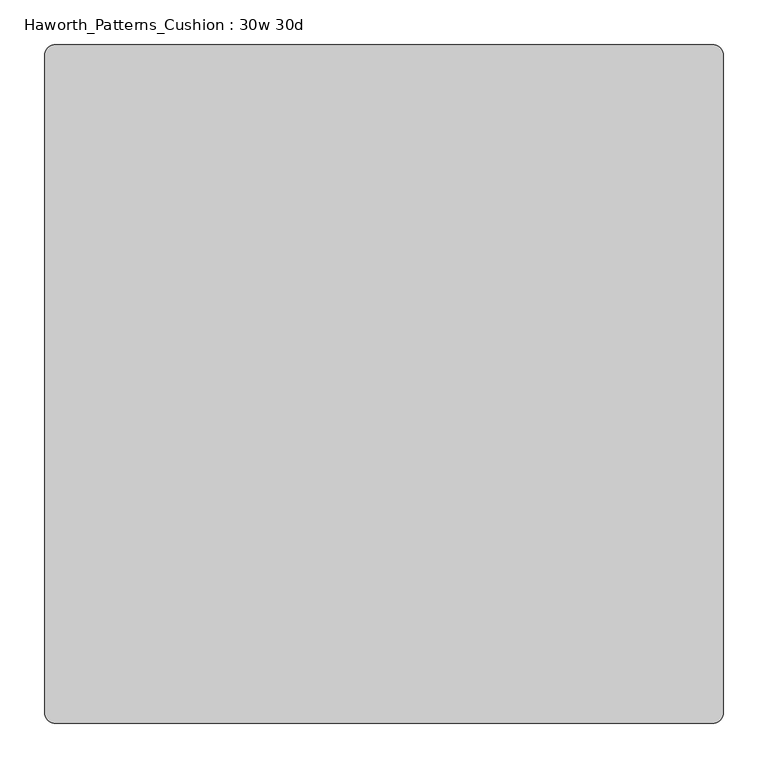
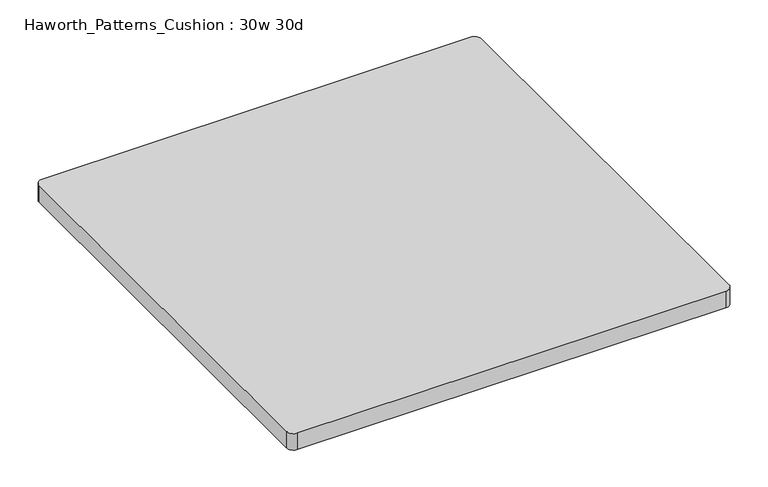
"""IFC4 building model written with IfcOpenShell, lengths in millimetres: furniture geometry, Haworth_Patterns_Cushion : 30w 30d."""

from ifc_helpers import new_model, si_unit, point, frame, frame_2d, origin, place, context, project, spatial, polyline, circle_curve, trimmed, segment, composite_curve, outline, extrude, source, transform, mapped, element, save


def haworth_patterns_cushion_30w_30d_9b118aac(model_context):
    return source(origin(), model_context, "Body", "SweptSolid", [
        extrude(outline(composite_curve([segment(trimmed(circle_curve(frame_2d((368.3, 368.3)), 12.7), [point((368.3, 381.0))], [point((381.0, 368.3))], False, "CARTESIAN"), True, "CONTINUOUS"), segment(polyline([(381.0, 368.3), (381.0, -368.3)]), True, "CONTINUOUS"), segment(trimmed(circle_curve(frame_2d((368.3, -368.3)), 12.7), [point((381.0, -368.3))], [point((368.3, -381.0))], False, "CARTESIAN"), True, "CONTINUOUS"), segment(polyline([(368.3, -381.0), (-368.3, -381.0)]), True, "CONTINUOUS"), segment(trimmed(circle_curve(frame_2d((-368.3, -368.3)), 12.7), [point((-368.3, -381.0))], [point((-381.0, -368.3))], False, "CARTESIAN"), True, "CONTINUOUS"), segment(polyline([(-381.0, -368.3), (-381.0, 368.3)]), True, "CONTINUOUS"), segment(trimmed(circle_curve(frame_2d((-368.3, 368.3)), 12.7), [point((-381.0, 368.3))], [point((-368.3, 381.0))], False, "CARTESIAN"), True, "CONTINUOUS"), segment(polyline([(-368.3, 381.0), (368.3, 381.0)]), True, "CONTINUOUS")], self_intersect=False)), frame((0.0, 0.0, 609.6), z_axis=(0.0, 0.0, 1.0), x_axis=(1.0, 0.0, 0.0)), (0.0, 0.0, 1.0), 30.1625),
    ])


if __name__ == "__main__":
    model = new_model("IFC4")
    model_context = context("Model", 3, world=origin())
    ifc_project = project(units=[si_unit("LENGTHUNIT", "METRE", prefix="MILLI")], contexts=[model_context])
    site = spatial("IfcSite", under=ifc_project)
    building = spatial("IfcBuilding", under=site)
    placement = place(None, origin())
    haworth_patterns_cushion_30w_30d_shape = haworth_patterns_cushion_30w_30d_9b118aac(model_context)
    element("IfcFurniture", 1, ObjectType="Haworth_Patterns_Cushion : 30w 30d", at=placement, inside=building, context=model_context, shape_type="MappedRepresentation", body=[
        mapped(haworth_patterns_cushion_30w_30d_shape, transform((0.0, 0.0, 0.0), x_axis=(1.0, 0.0, 0.0), y_axis=(0.0, 1.0, 0.0), z_axis=(0.0, 0.0, 1.0))),
    ])
    save(model, "model.ifc")
